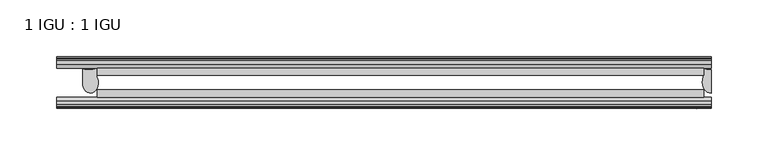
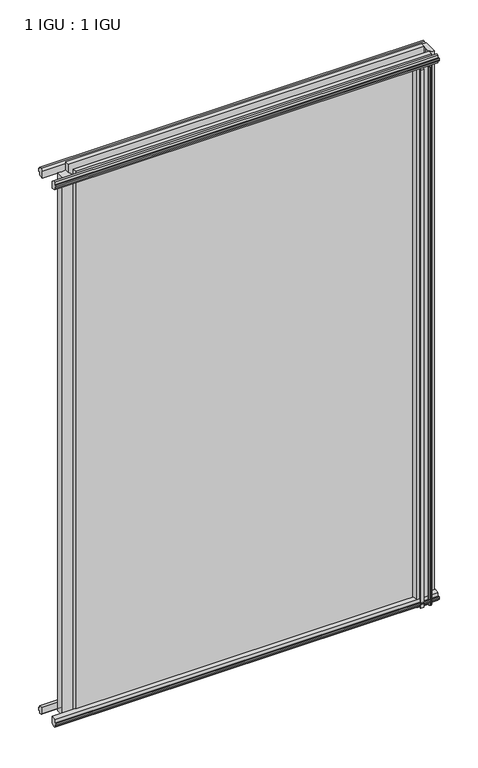
"""IFC4 building model written with IfcOpenShell, lengths in millimetres: plate geometry, 1 IGU : 1 IGU."""

from ifc_helpers import new_model, si_unit, point, frame, frame_2d, origin, place, context, project, spatial, polyline, circle_curve, ellipse_curve, trimmed, segment, composite_curve, outline, extrude, source, transform, mapped, element, save
from ifc_brep_helpers import plane_surface, cylinder_surface, revolved_surface, extruded_surface, advanced_brep


def plate_1_igu_1_igu_236e7599(model_context):
    return source(origin(), model_context, "Body", "SolidModel", [
        extrude(outline(polyline([(-218.0669374, -38.6468937), (314.3091249, -38.6468937), (314.3091249, -44.9460938), (-218.0669374, -44.9460938), (-218.0669374, -38.6468937)])), frame((0.0, 0.0, -12.7), z_axis=(0.0, 0.0, 1.0), x_axis=(1.0, 0.0, 0.0)), (0.0, 0.0, 1.0), 863.5999996),
        extrude(outline(polyline([(-218.0669374, -19.5460937), (314.3091249, -19.5460937), (314.3091249, -25.8960938), (-218.0669374, -25.8960938), (-218.0669374, -19.5460937)])), frame((0.0, 0.0, -12.7), z_axis=(0.0, 0.0, 1.0), x_axis=(1.0, 0.0, 0.0)), (0.0, 0.0, 1.0), 863.5999996),
        advanced_brep(
        [(-230.7979229, -20.0381352, -12.4587), (-218.0979229, -19.5460938, -12.4587), (-218.0979229, -27.1259412, -12.4587), (-230.7979229, -32.2460937, -12.4587), (-230.7979229, -20.0381352, 838.1999996), (-230.7979229, -32.2460937, 838.1999996), (-218.0979229, -27.1259412, 838.1999996), (-218.0979229, -19.5460938, 838.1999996)],
        [
            (0, 1, circle_curve(frame((-225.0811961, -3.4468047, -12.4587), z_axis=(0.0, 0.0, 1.0), x_axis=(1.0, 0.0, 0.0)), 17.5485957)),
            (1, 2),
            (2, 3, ellipse_curve(frame((-223.8617543, -32.2460937, -12.4587), z_axis=(0.0, 0.0, -1.0), x_axis=(0.0, -1.0, 0.0)), 9.2039536, 6.9361686)),
            (3, 0),
            (4, 5),
            (5, 6, ellipse_curve(frame((-223.8617543, -32.2460937, 838.1999996), z_axis=(0.0, 0.0, 1.0), x_axis=(0.0, -1.0, 0.0)), 9.2039536, 6.9361686)),
            (6, 7),
            (7, 4, circle_curve(frame((-225.0811961, -3.4468047, 838.1999996), z_axis=(0.0, 0.0, -1.0), x_axis=(1.0, 0.0, 0.0)), 17.5485957)),
            (0, 4),
            (7, 1),
            (6, 2),
            (5, 3),
        ],
        [
            plane_surface(frame((-253.1903749, -13.1960937, -12.4587), z_axis=(0.0, 0.0, -1.0), x_axis=(0.0, 1.0, 0.0))),
            plane_surface(frame((-253.1903749, -13.1960937, 838.1999996), z_axis=(0.0, 0.0, 1.0), x_axis=(0.0, 1.0, 0.0))),
            revolved_surface(polyline([(-207.5326004, -3.4468047, 838.1999996), (-207.5326004, -3.4468047, -12.4587)]), (-225.0811961, -3.4468047, -12.4587), (0.0, 0.0, 1.0)),
            plane_surface(frame((-218.0979229, -19.5460938, -12.4587), z_axis=(1.0, 0.0, 0.0), x_axis=(0.0, 0.0, 1.0))),
            extruded_surface(trimmed(ellipse_curve(frame((-223.8617543, -32.2460937, 838.1999996), z_axis=(0.0, 0.0, -1.0), x_axis=(0.0, -1.0, 0.0)), 9.2039536, 6.9361686), [point((-218.0979229, -27.1259412, 838.1999996))], [point((-230.7979229, -32.2460937, 838.1999996))], True, "CARTESIAN"), (0.0, 0.0, -850.6586996), 850.6586996),
            plane_surface(frame((-230.7979229, -32.2460937, -12.4587), z_axis=(-1.0, 0.0, 0.0), x_axis=(0.0, 0.0, 1.0))),
        ],
        [
            (0, [[1, 2, 3, 4]]),
            (1, [[5, 6, 7, 8]]),
            (2, [[-1, 9, -8, 10]]),
            (3, [[-2, -10, -7, 11]]),
            (4, [[-3, -11, -6, 12]]),
            (5, [[-4, -12, -5, -9]]),
        ],
    ),
        advanced_brep(
        [(320.6591249, -21.1709383, -12.4587), (320.6591249, -41.5384061, -12.4587), (313.1367878, -32.2460938, -12.4587), (314.3091249, -25.8452938, -12.4587), (314.3091249, -19.5460938, -12.4587), (320.6591249, -21.1709383, 850.8999996), (314.3091249, -19.5460938, 850.8999996), (314.3091249, -25.8452938, 850.8999996), (313.1367878, -32.2460938, 850.8999996), (320.6591249, -41.5384061, 850.8999996)],
        [
            (0, 1),
            (1, 2, ellipse_curve(frame((320.6591249, -32.2460938, -12.4587), z_axis=(0.0, 0.0, -1.0), x_axis=(0.0, -1.0, 0.0)), 9.2923124, 7.5223371)),
            (2, 3, circle_curve(frame((331.1967013, -32.2460938, -12.4587), z_axis=(0.0, 0.0, -1.0), x_axis=(1.0, 0.0, 0.0)), 18.0599135)),
            (3, 4),
            (4, 0, circle_curve(frame((320.6591249, -7.950406, -12.4587), z_axis=(0.0, 0.0, 1.0), x_axis=(1.0, 0.0, 0.0)), 13.2205323)),
            (5, 6, circle_curve(frame((320.6591249, -7.950406, 850.8999996), z_axis=(0.0, 0.0, -1.0), x_axis=(1.0, 0.0, 0.0)), 13.2205323)),
            (6, 7),
            (7, 8, circle_curve(frame((331.1967013, -32.2460938, 850.8999996), z_axis=(0.0, 0.0, 1.0), x_axis=(1.0, 0.0, 0.0)), 18.0599135)),
            (8, 9, ellipse_curve(frame((320.6591249, -32.2460938, 850.8999996), z_axis=(0.0, 0.0, 1.0), x_axis=(0.0, -1.0, 0.0)), 9.2923124, 7.5223371)),
            (9, 5),
            (1, 9),
            (8, 2),
            (7, 3),
            (6, 4),
            (5, 0),
        ],
        [
            plane_surface(frame((320.6591249, -13.1960938, -12.4587), z_axis=(0.0, 0.0, -1.0), x_axis=(0.0, 1.0, 0.0))),
            plane_surface(frame((320.6591249, -13.1960938, 850.8999996), z_axis=(0.0, 0.0, 1.0), x_axis=(0.0, 1.0, 0.0))),
            extruded_surface(trimmed(ellipse_curve(frame((320.6591249, -32.2460938, 850.8999996), z_axis=(0.0, 0.0, -1.0), x_axis=(0.0, -1.0, 0.0)), 9.2923124, 7.5223371), [point((320.6591249, -41.5384061, 850.8999996))], [point((313.1367878, -32.2460938, 850.8999996))], True, "CARTESIAN"), (0.0, 0.0, -863.3586996), 863.3586996),
            cylinder_surface(frame((331.1967013, -32.2460938, -12.4587), z_axis=(0.0, 0.0, -1.0), x_axis=(1.0, 0.0, 0.0)), 18.0599135),
            plane_surface(frame((314.3091249, -25.8452938, -12.4587), z_axis=(-1.0, 0.0, 0.0), x_axis=(0.0, 0.0, 1.0))),
            revolved_surface(polyline([(333.8796572, -7.950406, 850.8999996), (333.8796572, -7.950406, -12.4587)]), (320.6591249, -7.950406, -12.4587), (0.0, 0.0, 1.0)),
            plane_surface(frame((320.6591249, -21.1709383, -12.4587), z_axis=(1.0, 0.0, 0.0), x_axis=(0.0, 0.0, 1.0))),
        ],
        [
            (0, [[1, 2, 3, 4, 5]]),
            (1, [[6, 7, 8, 9, 10]]),
            (2, [[-2, 11, -9, 12]]),
            (3, [[-3, -12, -8, 13]]),
            (4, [[-4, -13, -7, 14]]),
            (5, [[-5, -14, -6, 15]]),
            (6, [[-1, -15, -10, -11]]),
        ],
    ),
        extrude(outline(polyline([(-44.9460937, 1.7177181), (-44.9460937, -9.1036578), (-48.3496937, -11.938), (-51.2960937, -11.938), (-51.2960937, -7.493), (-53.6762907, -7.112), (-53.2163575, -8.5275291), (-54.0175717, -8.5275291), (-54.7250937, -6.35), (-54.0175717, -4.1724709), (-53.2163575, -4.1724709), (-53.6762907, -5.588), (-51.2960937, -5.207), (-51.2960937, 0.0), (-44.9460937, 1.7177181)])), frame((-253.1903749, 0.0, 0.0), z_axis=(1.0, 0.0, 0.0), x_axis=(0.0, 1.0, 0.0)), (0.0, 0.0, 1.0), 573.8494998),
        extrude(outline(polyline([(-13.1960937, -12.4587), (-16.1424937, -12.4587), (-19.5460937, -9.6243578), (-19.5460937, 1.1970181), (-13.1960937, -0.5207), (-13.1960937, -5.7277), (-10.8158968, -6.1087), (-11.27583, -4.6931709), (-10.4746158, -4.6931709), (-9.7670937, -6.8707), (-10.4746158, -9.0482291), (-11.27583, -9.0482291), (-10.8158968, -7.6327), (-13.1960937, -8.0137), (-13.1960937, -12.4587)])), frame((-253.1903749, 0.0, 0.0), z_axis=(1.0, 0.0, 0.0), x_axis=(0.0, 1.0, 0.0)), (0.0, 0.0, 1.0), 573.8494998),
        extrude(outline(polyline([(-51.2960937, 850.1379996), (-48.3496937, 850.1379996), (-44.9460937, 847.3036575), (-44.9460937, 836.4822816), (-51.2960937, 838.1999996), (-51.2960937, 843.4069996), (-53.6762907, 843.7879996), (-53.2163575, 842.3724706), (-54.0175717, 842.3724706), (-54.7250937, 844.5499996), (-54.0175717, 846.7275287), (-53.2163575, 846.7275287), (-53.6762907, 845.3119996), (-51.2960937, 845.6929996), (-51.2960937, 850.1379996)])), frame((-253.1903749, 0.0, 0.0), z_axis=(1.0, 0.0, 0.0), x_axis=(0.0, 1.0, 0.0)), (0.0, 0.0, 1.0), 573.8494998),
        extrude(outline(polyline([(-19.5460937, 837.0029816), (-19.5460937, 847.8243575), (-16.1424937, 850.6586996), (-13.1960937, 850.6586996), (-13.1960937, 846.2136996), (-10.8158968, 845.8326996), (-11.27583, 847.2482287), (-10.4746158, 847.2482287), (-9.7670937, 845.0706996), (-10.4746158, 842.8931706), (-11.27583, 842.8931706), (-10.8158968, 844.3086996), (-13.1960937, 843.9276996), (-13.1960937, 838.7206996), (-19.5460937, 837.0029816)])), frame((-253.1903749, 0.0, 0.0), z_axis=(1.0, 0.0, 0.0), x_axis=(0.0, 1.0, 0.0)), (0.0, 0.0, 1.0), 573.8494998),
        extrude(outline(composite_curve([segment(polyline([(311.1341251, -44.9460938), (311.1341251, -51.2960938), (309.4831251, -51.2960938), (309.4831251, -52.9470938), (310.5607558, -52.9470938)]), True, "CONTINUOUS"), segment(trimmed(circle_curve(frame_2d((309.4831251, -52.9470938)), 1.0776307), [point((310.5607558, -52.9470938))], [point((310.2451251, -53.7090938))], False, "CARTESIAN"), True, "CONTINUOUS"), segment(polyline([(310.2451251, -53.7090938), (308.5058327, -54.8194621)]), True, "CONTINUOUS"), segment(trimmed(circle_curve(frame_2d((307.9591251, -53.9630938)), 1.016), [point((308.5058327, -54.8194621))], [point((307.4124175, -54.8194621))], False, "CARTESIAN"), True, "CONTINUOUS"), segment(polyline([(307.4124175, -54.8194621), (305.6731251, -53.7090938)]), True, "CONTINUOUS"), segment(trimmed(circle_curve(frame_2d((306.4351251, -52.9470938)), 1.0776307), [point((305.6731251, -53.7090938))], [point((305.3574943, -52.9470938))], False, "CARTESIAN"), True, "CONTINUOUS"), segment(polyline([(305.3574943, -52.9470938), (306.4351251, -52.9470938), (306.4351251, -51.2960938), (297.3673251, -51.2960938)]), True, "CONTINUOUS"), segment(trimmed(circle_curve(frame_2d((297.3673251, -51.7532938)), 0.4572), [point((297.3673251, -51.2960938))], [point((297.0285072, -52.0602698))], True, "CARTESIAN"), True, "CONTINUOUS"), segment(trimmed(circle_curve(frame_2d((295.2591251, -53.663367)), 2.3876), [point((297.0285072, -52.0602698))], [point((297.3297681, -54.8520938))], False, "CARTESIAN"), True, "CONTINUOUS"), segment(polyline([(297.3297681, -54.8520938), (293.1884821, -54.8520938)]), True, "CONTINUOUS"), segment(trimmed(circle_curve(frame_2d((295.2591251, -53.663367)), 2.3876), [point((293.1884821, -54.8520938))], [point((293.4897429, -52.0602698))], False, "CARTESIAN"), True, "CONTINUOUS"), segment(trimmed(circle_curve(frame_2d((293.1509251, -51.7532938)), 0.4572), [point((293.4897429, -52.0602698))], [point((293.1509251, -51.2960938))], True, "CARTESIAN"), True, "CONTINUOUS"), segment(polyline([(293.1509251, -51.2960938), (288.9091251, -51.2960938)]), True, "CONTINUOUS"), segment(trimmed(circle_curve(frame_2d((279.8931936, -51.9750196)), 9.0414579), [point((288.9091251, -51.2960938))], [point((285.5802105, -44.9460938))], True, "CARTESIAN"), True, "CONTINUOUS"), segment(polyline([(285.5802105, -44.9460938), (311.1341251, -44.9460938)]), True, "CONTINUOUS")], self_intersect=False)), frame((0.0, 0.0, -12.7), z_axis=(0.0, 0.0, 1.0), x_axis=(1.0, 0.0, 0.0)), (0.0, 0.0, 1.0), 850.8999996),
    ])


if __name__ == "__main__":
    model = new_model("IFC4")
    model_context = context("Model", 3, world=origin())
    ifc_project = project(units=[si_unit("LENGTHUNIT", "METRE", prefix="MILLI")], contexts=[model_context])
    site = spatial("IfcSite", under=ifc_project)
    building = spatial("IfcBuilding", under=site)
    placement = place(None, origin())
    plate_1_igu_1_igu_shape = plate_1_igu_1_igu_236e7599(model_context)
    element("IfcPlate", 1, ObjectType="1 IGU : 1 IGU", at=placement, inside=building, context=model_context, shape_type="MappedRepresentation", body=[
        mapped(plate_1_igu_1_igu_shape, transform((0.0, 0.0, 0.0), x_axis=(1.0, 0.0, 0.0), y_axis=(0.0, 1.0, 0.0), z_axis=(0.0, 0.0, 1.0))),
    ])
    save(model, "model.ifc")
